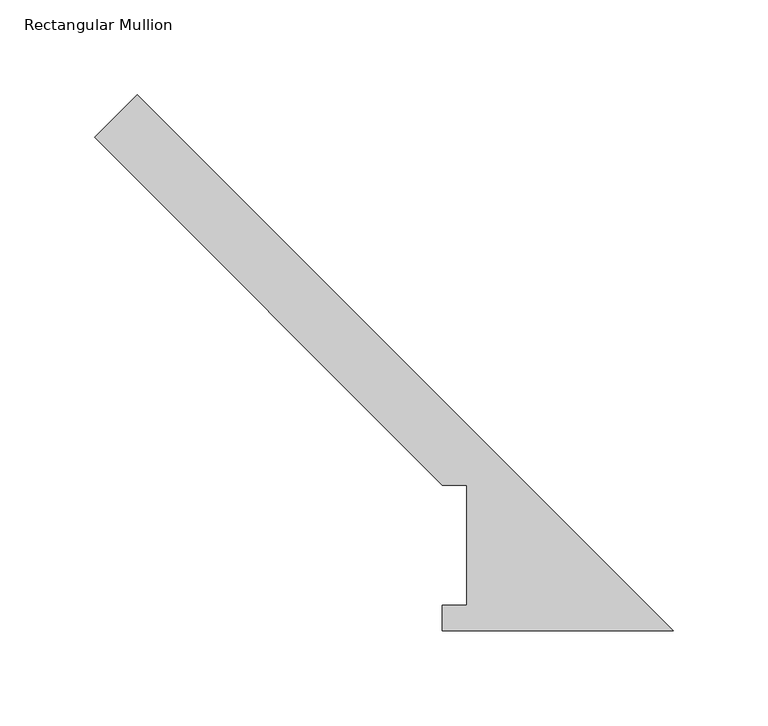
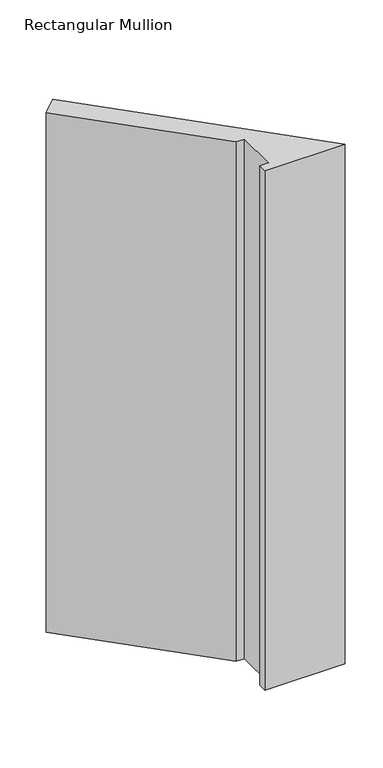
"""IFC4 building model written with IfcOpenShell, lengths in millimetres: member geometry, Rectangular Mullion."""

from ifc_helpers import new_model, si_unit, frame, origin, place, context, project, spatial, polyline, outline, extrude, source, transform, mapped, element, save


def rectangular_mullion_df8e89e8(model_context):
    return source(origin(), model_context, "Body", "SweptSolid", [
        extrude(outline(polyline([(-305.5539771, 260.6616386), (-283.1033368, 283.1122789), (0.0, 0.0089421), (-121.9962506, 0.0089421), (-121.9962506, 13.5725421), (-109.1860885, 13.5725421), (-109.1860885, 76.99375), (-121.8860885, 76.99375), (-305.5539771, 260.6616386)])), frame((0.0, 0.0, -838.2), z_axis=(0.0, 0.0, 1.0), x_axis=(1.0, 0.0, 0.0)), (0.0, 0.0, 1.0), 838.2),
    ])


if __name__ == "__main__":
    model = new_model("IFC4")
    model_context = context("Model", 3, world=origin())
    ifc_project = project(units=[si_unit("LENGTHUNIT", "METRE", prefix="MILLI")], contexts=[model_context])
    site = spatial("IfcSite", under=ifc_project)
    building = spatial("IfcBuilding", under=site)
    placement = place(None, origin())
    rectangular_mullion_shape = rectangular_mullion_df8e89e8(model_context)
    element("IfcMember", 1, ObjectType="Rectangular Mullion", at=placement, inside=building, context=model_context, shape_type="MappedRepresentation", body=[
        mapped(rectangular_mullion_shape, transform((0.0, 0.0, 0.0), x_axis=(1.0, 0.0, 0.0), y_axis=(0.0, 1.0, 0.0), z_axis=(0.0, 0.0, 1.0))),
    ])
    save(model, "model.ifc")
